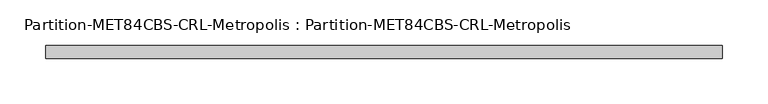
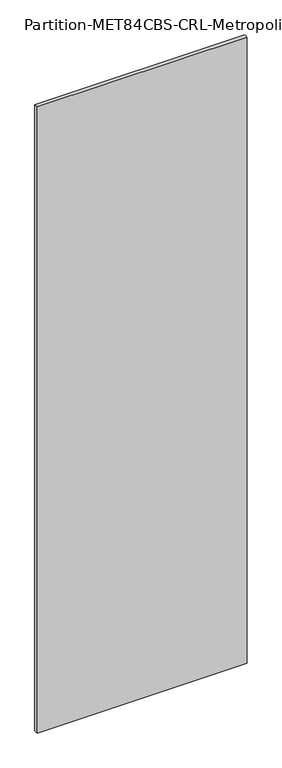
"""IFC4 building model written with IfcOpenShell, lengths in millimetres: plate geometry, Partition-MET84CBS-CRL-Metropolis : Partition-MET84CBS-CRL-Metropolis."""

from ifc_helpers import new_model, si_unit, frame, origin, place, context, project, spatial, polyline, outline, extrude, source, transform, mapped, element, save


def partition_met84cbs_crl_metropolis_partition_met84cbs_crl_f2393687(model_context):
    return source(origin(), model_context, "Body", "SweptSolid", [
        extrude(outline(polyline([(371.475, 98.425), (-371.475, 98.425), (-371.475, 112.7125), (371.475, 112.7125), (371.475, 98.425)])), frame((0.0, 0.0, 98.425), z_axis=(0.0, 0.0, 1.0), x_axis=(1.0, 0.0, 0.0)), (0.0, 0.0, 1.0), 2339.975),
    ])


if __name__ == "__main__":
    model = new_model("IFC4")
    model_context = context("Model", 3, world=origin())
    ifc_project = project(units=[si_unit("LENGTHUNIT", "METRE", prefix="MILLI")], contexts=[model_context])
    site = spatial("IfcSite", under=ifc_project)
    building = spatial("IfcBuilding", under=site)
    placement = place(None, origin())
    partition_met84cbs_crl_metropolis_partition_met84cbs_crl_shape = partition_met84cbs_crl_metropolis_partition_met84cbs_crl_f2393687(model_context)
    element("IfcPlate", 1, ObjectType="Partition-MET84CBS-CRL-Metropolis : Partition-MET84CBS-CRL-Metropolis", at=placement, inside=building, context=model_context, shape_type="MappedRepresentation", body=[
        mapped(partition_met84cbs_crl_metropolis_partition_met84cbs_crl_shape, transform((0.0, 0.0, 0.0), x_axis=(1.0, 0.0, 0.0), y_axis=(0.0, 1.0, 0.0), z_axis=(0.0, 0.0, 1.0))),
    ])
    save(model, "model.ifc")
